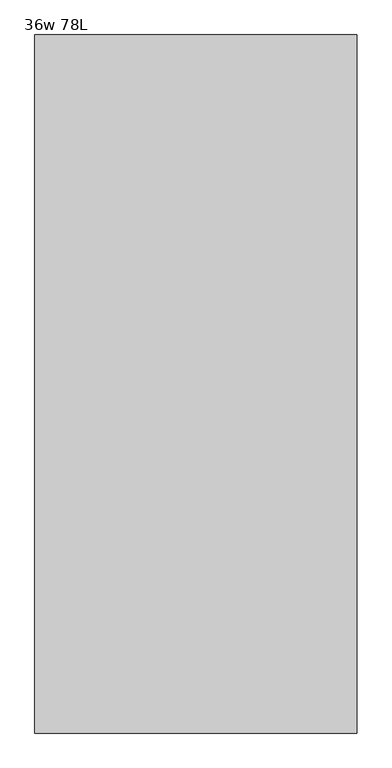
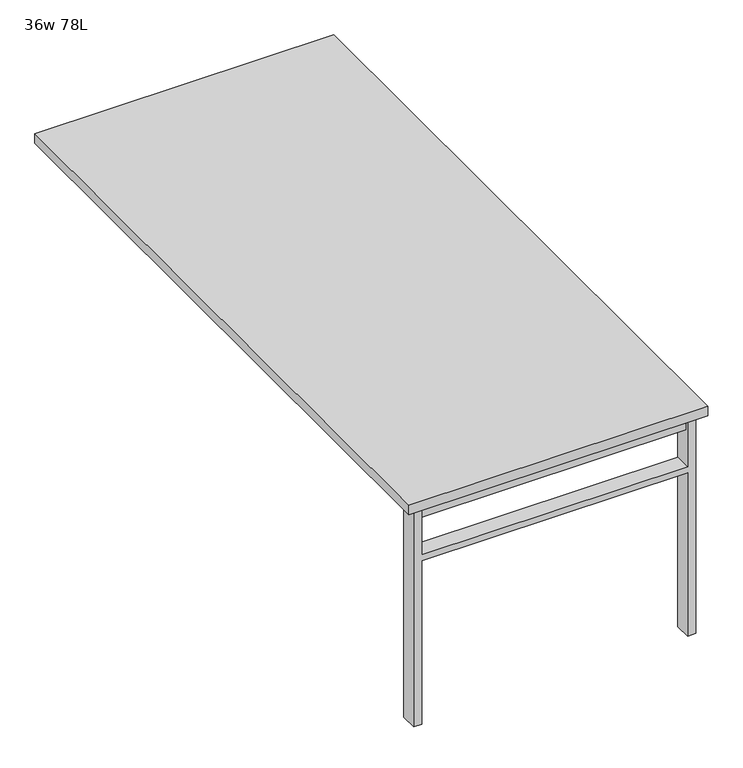
"""IFC4 building model written with IfcOpenShell, lengths in millimetres: furniture geometry, 36w 78L."""

import ifcopenshell
import ifcopenshell.guid

model = None  # the IFC model being written
_history = None  # IfcOwnerHistory: only IFC2X3 demands one
_inside = {}  # id of a spatial element -> (the spatial element, [elements in it])
_under = {}  # id of a project, library or spatial element -> (it, [spatial elements below it])
_declared = {}  # id of a project -> (the project, [libraries it declares])
_typed = {}  # id of a type object -> (the type object, [elements of that type])
_made_of = {}  # id of a material, layer set ... -> (it, [elements and type objects made of it])


def new_model(schema):
    """Start an empty IFC model of exactly this schema.

    Asked for "IFC4X3", IfcOpenShell would pick the latest addendum, in which some entities
    have other attributes; the version numbers below select the first issue.
    IFC2X3 requires an IfcOwnerHistory on every rooted entity: one is made here for all.
    """
    global model, _history
    if schema == "IFC4X3":
        model = ifcopenshell.file(schema_version=(4, 3, 0, 0))
    else:
        model = ifcopenshell.file(schema=schema)
    _inside.clear()
    _under.clear()
    _declared.clear()
    _typed.clear()
    _made_of.clear()
    _history = None
    if model.schema == "IFC2X3":
        org = make("IfcOrganization", Name="unknown")
        user = make(
            "IfcPersonAndOrganization",
            ThePerson=make("IfcPerson", FamilyName="unknown"),
            TheOrganization=org,
        )
        app = make(
            "IfcApplication",
            ApplicationDeveloper=org,
            Version="unknown",
            ApplicationFullName="unknown",
            ApplicationIdentifier="unknown",
        )
        _history = make(
            "IfcOwnerHistory",
            OwningUser=user,
            OwningApplication=app,
            ChangeAction="ADDED",
            CreationDate=0,
        )
    return model


def make(cls, **values):
    """One entity of the class cls with the attributes given. An attribute that is None is left unset."""
    return model.create_entity(
        cls, **{name: value for name, value in values.items() if value is not None}
    )


def rooted(cls, **values):
    """An entity with a GlobalId (a new one), such as an element, a storey or a relation."""
    return make(cls, GlobalId=ifcopenshell.guid.new(), OwnerHistory=_history, **values)


def si_unit(unit_type, name, prefix=None):
    """IfcSIUnit, for example si_unit("LENGTHUNIT", "METRE", prefix="MILLI")."""
    return make("IfcSIUnit", UnitType=unit_type, Prefix=prefix, Name=name)


def assignment(units):
    """IfcUnitAssignment: the units of a project."""
    return None if units is None else make("IfcUnitAssignment", Units=units)


def point(xyz):
    """IfcCartesianPoint."""
    return None if xyz is None else make("IfcCartesianPoint", Coordinates=xyz)


def direction(xyz):
    """IfcDirection."""
    return None if xyz is None else make("IfcDirection", DirectionRatios=xyz)


def frame(location, z_axis=None, x_axis=None):
    """IfcAxis2Placement3D, a coordinate frame: its origin and axes. An axis left out is left unset."""
    return make(
        "IfcAxis2Placement3D",
        Location=point(location),
        Axis=direction(z_axis),
        RefDirection=direction(x_axis),
    )


def origin():
    """The frame at (0, 0, 0) with its axes left unset."""
    return frame((0.0, 0.0, 0.0))


def place(relative_to, where):
    """IfcLocalPlacement: puts the frame where relative to a parent placement (None: the world)."""
    return make(
        "IfcLocalPlacement", PlacementRelTo=relative_to, RelativePlacement=where
    )


def context(
    kind, dimensions, precision=None, world=None, true_north=None, identifier=None
):
    """IfcGeometricRepresentationContext, for example the 3D "Model" context."""
    return make(
        "IfcGeometricRepresentationContext",
        ContextIdentifier=identifier,
        ContextType=kind,
        CoordinateSpaceDimension=dimensions,
        Precision=precision,
        WorldCoordinateSystem=world,
        TrueNorth=true_north,
    )


def project(units=None, contexts=None):
    """IfcProject with its units and contexts."""
    return rooted(
        "IfcProject",
        Name="project",
        RepresentationContexts=contexts,
        UnitsInContext=assignment(units),
    )


def spatial(cls, under=None, at=None, **own):
    """A site, building, storey or space (cls), placed at a placement, below another one or the project."""
    s = rooted(cls, ObjectPlacement=at, **own)
    if under is not None:
        _under.setdefault(under.id(), (under, []))[1].append(s)
    return s


def polyline(points):
    """IfcPolyline through the points."""
    return make("IfcPolyline", Points=[point(p) for p in points])


def outline(outer, holes=None, kind="AREA"):
    """IfcArbitraryClosedProfileDef: a profile drawn as a closed curve; with holes, ...WithVoids."""
    if holes is None:
        return make("IfcArbitraryClosedProfileDef", ProfileType=kind, OuterCurve=outer)
    return make(
        "IfcArbitraryProfileDefWithVoids",
        ProfileType=kind,
        OuterCurve=outer,
        InnerCurves=holes,
    )


def extrude(swept, where, along, depth):
    """IfcExtrudedAreaSolid: the profile swept, set in the frame where, extruded along a direction by depth."""
    return make(
        "IfcExtrudedAreaSolid",
        SweptArea=swept,
        Position=where,
        ExtrudedDirection=direction(along),
        Depth=depth,
    )


def shape(context_of_items, identifier, shape_type, items):
    """IfcShapeRepresentation: the items that make up one representation, for example the "Body"."""
    return make(
        "IfcShapeRepresentation",
        ContextOfItems=context_of_items,
        RepresentationIdentifier=identifier,
        RepresentationType=shape_type,
        Items=items,
    )


def source(mapping_origin, context_of_items, identifier, shape_type, items):
    """IfcRepresentationMap: a shape defined once, which mapped items show again and again."""
    return make(
        "IfcRepresentationMap",
        MappingOrigin=mapping_origin,
        MappedRepresentation=shape(context_of_items, identifier, shape_type, items),
    )


def transform(
    local_origin,
    x_axis=None,
    y_axis=None,
    z_axis=None,
    scale=None,
    scale2=None,
    scale3=None,
    uniform=True,
):
    """IfcCartesianTransformationOperator3D, or its non-uniform kind. x_axis, y_axis, z_axis: its Axis1, 2, 3."""
    if uniform:
        return make(
            "IfcCartesianTransformationOperator3D",
            Axis1=direction(x_axis),
            Axis2=direction(y_axis),
            LocalOrigin=point(local_origin),
            Scale=scale,
            Axis3=direction(z_axis),
        )
    return make(
        "IfcCartesianTransformationOperator3DnonUniform",
        Axis1=direction(x_axis),
        Axis2=direction(y_axis),
        LocalOrigin=point(local_origin),
        Scale=scale,
        Axis3=direction(z_axis),
        Scale2=scale2,
        Scale3=scale3,
    )


def mapped(mapping_source, mapping_target):
    """IfcMappedItem: shows the shape of a source again, moved by a transform."""
    return make(
        "IfcMappedItem", MappingSource=mapping_source, MappingTarget=mapping_target
    )


def made_of(thing, what):
    """Note that an element or type object is made of a material, layer set ...; save() writes the relation."""
    if what is not None:
        _made_of.setdefault(what.id(), (what, []))[1].append(thing)
    return thing


def element(
    cls,
    number,
    at=None,
    inside=None,
    cuts=None,
    type_object=None,
    material=None,
    context=None,
    identifier="Body",
    shape_type=None,
    held_by="IfcProductDefinitionShape",
    body=None,
    shapes=None,
    **own,
):
    """One element of the class cls, such as IfcWall. Its Tag is "e" and its number.

    at: its placement. inside: the storey or other place that contains it. cuts: it is an
    opening in that element (IfcRelVoidsElement). A single representation is given by context,
    identifier, shape_type and body (its items); several are given by shapes. held_by: the class
    of the entity that holds the representations. save() writes the other relations.
    """
    e = rooted(cls, Tag="e%d" % number, ObjectPlacement=at, **own)
    if body is not None:
        shapes = [shape(context, identifier, shape_type, body)]
    if shapes is not None:
        e.Representation = make(held_by, Representations=shapes)
    if inside is not None:
        _inside.setdefault(inside.id(), (inside, []))[1].append(e)
    if cuts is not None:
        rooted(
            "IfcRelVoidsElement", RelatingBuildingElement=cuts, RelatedOpeningElement=e
        )
    if type_object is not None:
        _typed.setdefault(type_object.id(), (type_object, []))[1].append(e)
    return made_of(e, material)


def aggregate(whole, parts):
    """IfcRelAggregates: a whole, such as a stair, and the parts it consists of."""
    return rooted("IfcRelAggregates", RelatingObject=whole, RelatedObjects=parts)


def save(model, path):
    """Write the relations noted so far, then the file.

    IfcRelAggregates (storeys below a building ...), IfcRelContainedInSpatialStructure (elements
    in a storey), IfcRelDefinesByType, IfcRelAssociatesMaterial and IfcRelDeclares: one each for
    every whole, place, type object, material and project.
    """
    for whole, parts in _under.values():
        aggregate(whole, parts)
    for where, things in _inside.values():
        rooted(
            "IfcRelContainedInSpatialStructure",
            RelatedElements=things,
            RelatingStructure=where,
        )
    for kind, things in _typed.values():
        rooted("IfcRelDefinesByType", RelatedObjects=things, RelatingType=kind)
    for what, things in _made_of.values():
        rooted("IfcRelAssociatesMaterial", RelatedObjects=things, RelatingMaterial=what)
    for by, libraries in _declared.values():
        rooted("IfcRelDeclares", RelatingContext=by, RelatedDefinitions=libraries)
    model.write(path)


def furniture_36w_78l_239307fb(model_context):
    return source(origin(), model_context, "Body", "SweptSolid", [
        extrude(outline(polyline([(-406.4, -930.275), (406.4, -930.275), (406.4, -962.025), (-406.4, -962.025), (-406.4, -930.275)])), frame((0.0, 0.0, 661.9875), z_axis=(0.0, 0.0, 1.0), x_axis=(1.0, 0.0, 0.0)), (0.0, 0.0, 1.0), 44.45),
        extrude(outline(polyline([(528.6375, 406.4), (0.0, 406.4), (0.0, 431.8), (706.4375, 431.8), (706.4375, 406.4), (547.6875, 406.4), (547.6875, -406.4), (706.4375, -406.4), (706.4375, -431.8), (0.0, -431.8), (0.0, -406.4), (528.6375, -406.4), (528.6375, 406.4)])), frame((0.0, -971.55, 0.0), z_axis=(0.0, 1.0, 0.0), x_axis=(0.0, 0.0, 1.0)), (0.0, 0.0, 1.0), 50.8),
        extrude(outline(polyline([(-457.2, -990.6), (-457.2, 990.6), (457.2, 990.6), (457.2, -990.6), (-457.2, -990.6)])), frame((0.0, 0.0, 706.4375), z_axis=(0.0, 0.0, 1.0), x_axis=(1.0, 0.0, 0.0)), (0.0, 0.0, 1.0), 30.1625),
    ])


if __name__ == "__main__":
    model = new_model("IFC4")
    model_context = context("Model", 3, world=origin())
    ifc_project = project(units=[si_unit("LENGTHUNIT", "METRE", prefix="MILLI")], contexts=[model_context])
    site = spatial("IfcSite", under=ifc_project)
    building = spatial("IfcBuilding", under=site)
    placement = place(None, origin())
    furniture_36w_78l_shape = furniture_36w_78l_239307fb(model_context)
    element("IfcFurniture", 1, ObjectType="36w 78L", at=placement, inside=building, context=model_context, shape_type="MappedRepresentation", body=[
        mapped(furniture_36w_78l_shape, transform((0.0, 0.0, 0.0), x_axis=(1.0, 0.0, 0.0), y_axis=(0.0, 1.0, 0.0), z_axis=(0.0, 0.0, 1.0))),
    ])
    save(model, "model.ifc")
